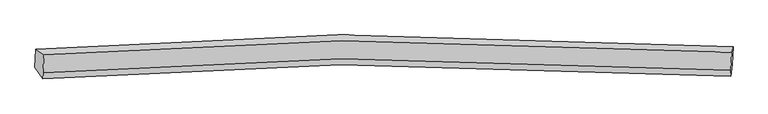
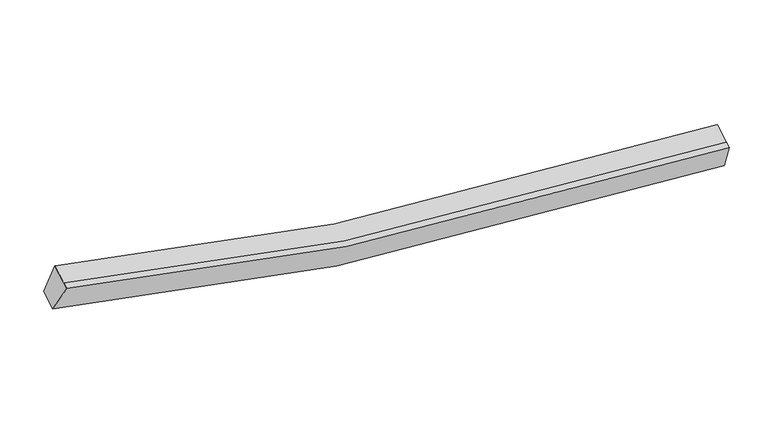
"""IFC4 building model written with IfcOpenShell, lengths in millimetres: proxy geometry."""

import ifcopenshell
import ifcopenshell.guid

model = None  # the IFC model being written
_history = None  # IfcOwnerHistory: only IFC2X3 demands one
_inside = {}  # id of a spatial element -> (the spatial element, [elements in it])
_under = {}  # id of a project, library or spatial element -> (it, [spatial elements below it])
_declared = {}  # id of a project -> (the project, [libraries it declares])
_typed = {}  # id of a type object -> (the type object, [elements of that type])
_made_of = {}  # id of a material, layer set ... -> (it, [elements and type objects made of it])


def new_model(schema):
    """Start an empty IFC model of exactly this schema.

    Asked for "IFC4X3", IfcOpenShell would pick the latest addendum, in which some entities
    have other attributes; the version numbers below select the first issue.
    IFC2X3 requires an IfcOwnerHistory on every rooted entity: one is made here for all.
    """
    global model, _history
    if schema == "IFC4X3":
        model = ifcopenshell.file(schema_version=(4, 3, 0, 0))
    else:
        model = ifcopenshell.file(schema=schema)
    _inside.clear()
    _under.clear()
    _declared.clear()
    _typed.clear()
    _made_of.clear()
    _history = None
    if model.schema == "IFC2X3":
        org = make("IfcOrganization", Name="unknown")
        user = make(
            "IfcPersonAndOrganization",
            ThePerson=make("IfcPerson", FamilyName="unknown"),
            TheOrganization=org,
        )
        app = make(
            "IfcApplication",
            ApplicationDeveloper=org,
            Version="unknown",
            ApplicationFullName="unknown",
            ApplicationIdentifier="unknown",
        )
        _history = make(
            "IfcOwnerHistory",
            OwningUser=user,
            OwningApplication=app,
            ChangeAction="ADDED",
            CreationDate=0,
        )
    return model


def make(cls, **values):
    """One entity of the class cls with the attributes given. An attribute that is None is left unset."""
    return model.create_entity(
        cls, **{name: value for name, value in values.items() if value is not None}
    )


def rooted(cls, **values):
    """An entity with a GlobalId (a new one), such as an element, a storey or a relation."""
    return make(cls, GlobalId=ifcopenshell.guid.new(), OwnerHistory=_history, **values)


def si_unit(unit_type, name, prefix=None):
    """IfcSIUnit, for example si_unit("LENGTHUNIT", "METRE", prefix="MILLI")."""
    return make("IfcSIUnit", UnitType=unit_type, Prefix=prefix, Name=name)


def assignment(units):
    """IfcUnitAssignment: the units of a project."""
    return None if units is None else make("IfcUnitAssignment", Units=units)


def point(xyz):
    """IfcCartesianPoint."""
    return None if xyz is None else make("IfcCartesianPoint", Coordinates=xyz)


def direction(xyz):
    """IfcDirection."""
    return None if xyz is None else make("IfcDirection", DirectionRatios=xyz)


def frame(location, z_axis=None, x_axis=None):
    """IfcAxis2Placement3D, a coordinate frame: its origin and axes. An axis left out is left unset."""
    return make(
        "IfcAxis2Placement3D",
        Location=point(location),
        Axis=direction(z_axis),
        RefDirection=direction(x_axis),
    )


def origin():
    """The frame at (0, 0, 0) with its axes left unset."""
    return frame((0.0, 0.0, 0.0))


def place(relative_to, where):
    """IfcLocalPlacement: puts the frame where relative to a parent placement (None: the world)."""
    return make(
        "IfcLocalPlacement", PlacementRelTo=relative_to, RelativePlacement=where
    )


def context(
    kind, dimensions, precision=None, world=None, true_north=None, identifier=None
):
    """IfcGeometricRepresentationContext, for example the 3D "Model" context."""
    return make(
        "IfcGeometricRepresentationContext",
        ContextIdentifier=identifier,
        ContextType=kind,
        CoordinateSpaceDimension=dimensions,
        Precision=precision,
        WorldCoordinateSystem=world,
        TrueNorth=true_north,
    )


def project(units=None, contexts=None):
    """IfcProject with its units and contexts."""
    return rooted(
        "IfcProject",
        Name="project",
        RepresentationContexts=contexts,
        UnitsInContext=assignment(units),
    )


def spatial(cls, under=None, at=None, **own):
    """A site, building, storey or space (cls), placed at a placement, below another one or the project."""
    s = rooted(cls, ObjectPlacement=at, **own)
    if under is not None:
        _under.setdefault(under.id(), (under, []))[1].append(s)
    return s


def shape(context_of_items, identifier, shape_type, items):
    """IfcShapeRepresentation: the items that make up one representation, for example the "Body"."""
    return make(
        "IfcShapeRepresentation",
        ContextOfItems=context_of_items,
        RepresentationIdentifier=identifier,
        RepresentationType=shape_type,
        Items=items,
    )


def source(mapping_origin, context_of_items, identifier, shape_type, items):
    """IfcRepresentationMap: a shape defined once, which mapped items show again and again."""
    return make(
        "IfcRepresentationMap",
        MappingOrigin=mapping_origin,
        MappedRepresentation=shape(context_of_items, identifier, shape_type, items),
    )


def transform(
    local_origin,
    x_axis=None,
    y_axis=None,
    z_axis=None,
    scale=None,
    scale2=None,
    scale3=None,
    uniform=True,
):
    """IfcCartesianTransformationOperator3D, or its non-uniform kind. x_axis, y_axis, z_axis: its Axis1, 2, 3."""
    if uniform:
        return make(
            "IfcCartesianTransformationOperator3D",
            Axis1=direction(x_axis),
            Axis2=direction(y_axis),
            LocalOrigin=point(local_origin),
            Scale=scale,
            Axis3=direction(z_axis),
        )
    return make(
        "IfcCartesianTransformationOperator3DnonUniform",
        Axis1=direction(x_axis),
        Axis2=direction(y_axis),
        LocalOrigin=point(local_origin),
        Scale=scale,
        Axis3=direction(z_axis),
        Scale2=scale2,
        Scale3=scale3,
    )


def mapped(mapping_source, mapping_target):
    """IfcMappedItem: shows the shape of a source again, moved by a transform."""
    return make(
        "IfcMappedItem", MappingSource=mapping_source, MappingTarget=mapping_target
    )


def made_of(thing, what):
    """Note that an element or type object is made of a material, layer set ...; save() writes the relation."""
    if what is not None:
        _made_of.setdefault(what.id(), (what, []))[1].append(thing)
    return thing


def element(
    cls,
    number,
    at=None,
    inside=None,
    cuts=None,
    type_object=None,
    material=None,
    context=None,
    identifier="Body",
    shape_type=None,
    held_by="IfcProductDefinitionShape",
    body=None,
    shapes=None,
    **own,
):
    """One element of the class cls, such as IfcWall. Its Tag is "e" and its number.

    at: its placement. inside: the storey or other place that contains it. cuts: it is an
    opening in that element (IfcRelVoidsElement). A single representation is given by context,
    identifier, shape_type and body (its items); several are given by shapes. held_by: the class
    of the entity that holds the representations. save() writes the other relations.
    """
    e = rooted(cls, Tag="e%d" % number, ObjectPlacement=at, **own)
    if body is not None:
        shapes = [shape(context, identifier, shape_type, body)]
    if shapes is not None:
        e.Representation = make(held_by, Representations=shapes)
    if inside is not None:
        _inside.setdefault(inside.id(), (inside, []))[1].append(e)
    if cuts is not None:
        rooted(
            "IfcRelVoidsElement", RelatingBuildingElement=cuts, RelatedOpeningElement=e
        )
    if type_object is not None:
        _typed.setdefault(type_object.id(), (type_object, []))[1].append(e)
    return made_of(e, material)


def aggregate(whole, parts):
    """IfcRelAggregates: a whole, such as a stair, and the parts it consists of."""
    return rooted("IfcRelAggregates", RelatingObject=whole, RelatedObjects=parts)


def save(model, path):
    """Write the relations noted so far, then the file.

    IfcRelAggregates (storeys below a building ...), IfcRelContainedInSpatialStructure (elements
    in a storey), IfcRelDefinesByType, IfcRelAssociatesMaterial and IfcRelDeclares: one each for
    every whole, place, type object, material and project.
    """
    for whole, parts in _under.values():
        aggregate(whole, parts)
    for where, things in _inside.values():
        rooted(
            "IfcRelContainedInSpatialStructure",
            RelatedElements=things,
            RelatingStructure=where,
        )
    for kind, things in _typed.values():
        rooted("IfcRelDefinesByType", RelatedObjects=things, RelatingType=kind)
    for what, things in _made_of.values():
        rooted("IfcRelAssociatesMaterial", RelatedObjects=things, RelatingMaterial=what)
    for by, libraries in _declared.values():
        rooted("IfcRelDeclares", RelatingContext=by, RelatedDefinitions=libraries)
    model.write(path)


def plane_surface(at):
    """IfcPlane: the flat surface through the origin of the frame at, square to its z axis."""
    return make("IfcPlane", Position=at)


def spline_curve(degree, points, multiplicities, knots, weights=None):
    """IfcBSplineCurveWithKnots; with weights, IfcRationalBSplineCurveWithKnots."""
    own = dict(
        Degree=degree,
        ControlPointsList=[point(p) for p in points],
        CurveForm="UNSPECIFIED",
        ClosedCurve=False,
        SelfIntersect=False,
        KnotMultiplicities=multiplicities,
        Knots=knots,
        KnotSpec="UNSPECIFIED",
    )
    if weights is None:
        return make("IfcBSplineCurveWithKnots", **own)
    return make("IfcRationalBSplineCurveWithKnots", WeightsData=weights, **own)


def spline_surface(u_degree, v_degree, points, u_multiplicities, v_multiplicities, u_knots, v_knots, weights=None):
    """IfcBSplineSurfaceWithKnots; with weights, IfcRationalBSplineSurfaceWithKnots. points: one row for each step in u."""
    own = dict(
        UDegree=u_degree,
        VDegree=v_degree,
        ControlPointsList=[[point(p) for p in row] for row in points],
        SurfaceForm="UNSPECIFIED",
        UClosed=False,
        VClosed=False,
        SelfIntersect=False,
        UMultiplicities=u_multiplicities,
        VMultiplicities=v_multiplicities,
        UKnots=u_knots,
        VKnots=v_knots,
        KnotSpec="UNSPECIFIED",
    )
    if weights is None:
        return make("IfcBSplineSurfaceWithKnots", **own)
    return make("IfcRationalBSplineSurfaceWithKnots", WeightsData=weights, **own)


def advanced_brep(points, edges, surfaces, faces):
    """IfcAdvancedBrep: a solid bounded by faces that lie on surfaces and meet in shared edges.

    An edge is (start, end): straight between two places in points (the first is 0);
    or (start, end, curve); or (start, end, curve, False) where it runs against its curve.
    A face is (place in surfaces, loops), or (place, loops, False) where it looks against
    its surface's normal. A loop lists edges by number (the first is 1), with a minus sign
    where the edge is run from its end to its start. The first loop is the outer one.
    """
    corners = [point(p) for p in points]
    vertices = [make("IfcVertexPoint", VertexGeometry=c) for c in corners]
    made = []
    for start, end, *more in edges:
        made.append(
            make(
                "IfcEdgeCurve",
                EdgeStart=vertices[start],
                EdgeEnd=vertices[end],
                EdgeGeometry=more[0] if more else make("IfcPolyline", Points=[corners[start], corners[end]]),
                SameSense=more[1] if len(more) > 1 else True,
            )
        )
    hull = []
    for where, loops, *sense in faces:
        bounds = []
        for j, loop in enumerate(loops):
            ring = [make("IfcOrientedEdge", EdgeElement=made[abs(k) - 1], Orientation=k > 0) for k in loop]
            bounds.append(
                make(
                    "IfcFaceOuterBound" if j == 0 else "IfcFaceBound",
                    Bound=make("IfcEdgeLoop", EdgeList=ring),
                    Orientation=True,
                )
            )
        hull.append(make("IfcAdvancedFace", Bounds=bounds, FaceSurface=surfaces[where], SameSense=sense[0] if sense else True))
    return make("IfcAdvancedBrep", Outer=make("IfcClosedShell", CfsFaces=hull))


def generic_models_be9eb0d0(model_context):
    return source(origin(), model_context, "Body", "AdvancedBrep", [
        advanced_brep(
        [(-7429.6084252, -1866.8262474, 4091.2672645), (-7239.1691191, -2001.1961457, 4767.5560449), (8932.5638601, -1943.222563, 2709.8043116), (8962.7925339, -1809.3401428, 2007.7710942), (-7260.8732438, -2424.2977712, 4589.531078), (8910.8597354, -2366.3241885, 2531.7793447), (-7267.9577279, -2562.403167, 4531.4216144), (8903.7752514, -2504.4295842, 2473.6698811), (-7451.4414137, -2292.4399517, 3912.185311), (8941.1813693, -2230.6295982, 1830.5086191)],
        [
            (0, 1),
            (1, 2, spline_curve(3, [(-7239.1691191, -2001.1961457, 4767.5560449), (-4928.357981219, -1812.54745492, 4069.914851082), (-2592.955476048, -1703.002632073, 3546.353779939), (2782.076403328, -1633.671475095, 2750.389323724), (5837.251558197, -1723.8917704, 2588.033150173), (8932.5638601, -1943.222563, 2709.8043116)], [4, 2, 4], [0.0, 23.742887397919848, 54.07589325388989])),
            (2, 3),
            (3, 0, spline_curve(3, [(8962.7925339, -1809.3401428, 2007.7710942), (5825.309194279, -1587.330130836, 1884.77372), (2728.47400288, -1495.882353849, 2049.291640784), (-2719.915951685, -1565.613299314, 2855.14978818), (-5087.214412237, -1676.223111776, 3385.130590945), (-7429.6084252, -1866.8262474, 4091.2672645)], [4, 2, 4], [0.0, 30.33300585597004, 54.07589325388989])),
            (1, 4),
            (4, 5, spline_curve(3, [(-7260.8732438, -2424.2977712, 4589.531078), (-4950.062105782, -2235.649080359, 3891.889884194), (-2614.659600542, -2126.104257385, 3368.328812878), (2760.372278592, -2056.773100835, 2572.36435703), (5815.547433958, -2146.993396592, 2410.008183794), (8910.8597354, -2366.3241885, 2531.7793447)], [4, 2, 4], [0.0, 23.58238790639482, 53.71034574378497])),
            (5, 2),
            (4, 6),
            (6, 7, spline_curve(3, [(-7267.9577279, -2562.403167, 4531.4216144), (-4957.146589882, -2373.754476159, 3833.780420594), (-2621.744084642, -2264.209653085, 3310.219349278), (2753.287794492, -2194.878496535, 2514.25489343), (5808.462949958, -2285.098792292, 2351.898720194), (8903.7752514, -2504.4295842, 2473.6698811)], [4, 2, 4], [0.0, 23.58238790639482, 53.71034574378497])),
            (7, 5),
            (6, 8),
            (8, 9, spline_curve(3, [(-7451.4414137, -2292.4399517, 3912.185311), (-5109.072812713, -2102.332194681, 3205.840201145), (-2741.774351526, -1991.722381999, 2675.859398547), (2706.673478938, -1920.86318165, 1870.475977325), (5803.582612414, -2010.869542442, 1706.564549338), (8941.1813693, -2230.6295982, 1830.5086191)], [4, 2, 4], [0.0, 23.742885930232397, 54.07588991114102])),
            (9, 7),
            (8, 0),
            (3, 9),
        ],
        [
            spline_surface(3, 3, [[(-7429.6084252, -1866.8262474, 4091.2672645), (-5087.214412455, -1676.223111676, 3385.130591259), (-2719.91595135, -1565.613299317, 2855.149788469), (2728.474002452, -1495.882353845, 2049.291640415), (5825.309194419, -1587.33013132, 1884.773719746), (8962.7925339, -1809.3401428, 2007.7710942)], [(-7366.128656511, -1911.616213505, 4316.696857974), (-5034.26226862, -1721.664559375, 3613.392011151), (-2677.59579293, -1611.409743451, 3085.551118914), (2746.341469457, -1541.812061021, 2282.99086825), (5829.289982418, -1632.850677818, 2119.193530019), (8952.716309329, -1853.967616173, 2241.78216665)], [(-7302.648887789, -1956.406179595, 4542.126451426), (-4981.310124751, -1767.106007059, 3841.653431019), (-2635.275634547, -1657.206187661, 3315.952449349), (2764.208936423, -1587.741768274, 2516.690096074), (5833.27077033, -1678.371224398, 2353.613340341), (8942.640084671, -1898.595089627, 2475.79323915)], [(-7239.1691191, -2001.1961457, 4767.5560449), (-4928.357980916, -1812.547454759, 4069.91485091), (-2592.955476126, -1703.002631795, 3546.353779795), (2782.076403428, -1633.67147545, 2750.389323909), (5837.251558329, -1723.891770896, 2588.033150613), (8932.5638601, -1943.222563, 2709.8043116)]], [4, 4], [4, 2, 4], [0.0, 2.346849831197822], [0.0, 23.742887397919848, 54.07589325388989]),
            spline_surface(3, 3, [[(-7239.1691191, -2001.1961457, 4767.5560449), (-4928.357980916, -1812.547454759, 4069.91485091), (-2592.955476126, -1703.002631795, 3546.353779795), (2782.076403428, -1633.67147545, 2750.389323909), (5837.251558329, -1723.891770896, 2588.033150613), (8932.5638601, -1943.222563, 2709.8043116)], [(-7246.403827332, -2142.230020872, 4708.214389265), (-4935.592689149, -1953.58132993, 4010.573195275), (-2600.190184359, -1844.036506967, 3487.012124159), (2774.841695196, -1774.705350622, 2691.047668274), (5830.016850097, -1864.925646068, 2528.691494978), (8925.329151868, -2084.256438172, 2650.462655965)], [(-7253.638535568, -2283.263896028, 4648.872733635), (-4942.827397384, -2094.615205087, 3951.231539646), (-2607.424892494, -1985.070382123, 3427.67046853), (2767.606987061, -1915.739225778, 2631.706012644), (5822.782141862, -2005.959521224, 2469.349839349), (8918.094443632, -2225.290313328, 2591.121000335)], [(-7260.8732438, -2424.2977712, 4589.531078), (-4950.062105616, -2235.649080259, 3891.88988401), (-2614.659600726, -2126.104257295, 3368.328812895), (2760.372278828, -2056.77310095, 2572.364357009), (5815.547433629, -2146.993396396, 2410.008183713), (8910.8597354, -2366.3241885, 2531.7793447)]], [4, 4], [4, 2, 4], [0.0, 1.5076840612297837], [0.0, 23.58238790639482, 53.71034574378497]),
            spline_surface(3, 3, [[(-7260.8732438, -2424.2977712, 4589.531078), (-4950.062105616, -2235.649080259, 3891.88988401), (-2614.659600726, -2126.104257295, 3368.328812895), (2760.372278828, -2056.77310095, 2572.364357009), (5815.547433629, -2146.993396396, 2410.008183713), (8910.8597354, -2366.3241885, 2531.7793447)], [(-7263.234738493, -2470.332903106, 4570.161256804), (-4952.42360031, -2281.684212165, 3872.520062814), (-2617.02109542, -2172.139389201, 3348.958991698), (2758.010784135, -2102.808232856, 2552.994535813), (5813.185938936, -2193.028528302, 2390.638362517), (8908.498240707, -2412.359320406, 2512.409523504)], [(-7265.596233207, -2516.368035094, 4550.791435596), (-4954.785095023, -2327.719344152, 3853.150241607), (-2619.382590133, -2218.174521089, 3329.589170491), (2755.649289421, -2148.843364744, 2533.624714605), (5810.824444323, -2239.06366019, 2371.26854131), (8906.136746093, -2458.394452294, 2493.039702296)], [(-7267.9577279, -2562.403167, 4531.4216144), (-4957.146589716, -2373.754476059, 3833.78042041), (-2621.744084826, -2264.209652995, 3310.219349295), (2753.287794728, -2194.87849665, 2514.254893409), (5808.462949629, -2285.098792096, 2351.898720113), (8903.7752514, -2504.4295842, 2473.6698811)]], [4, 4], [4, 2, 4], [0.0, 0.49212598425196996], [0.0, 23.58238790639482, 53.71034574378497]),
            spline_surface(3, 3, [[(-7267.9577279, -2562.403167, 4531.4216144), (-4957.146589716, -2373.754476059, 3833.78042041), (-2621.744084826, -2264.209652995, 3310.219349295), (2753.287794728, -2194.87849665, 2514.254893409), (5808.462949629, -2285.098792096, 2351.898720113), (8903.7752514, -2504.4295842, 2473.6698811)], [(-7329.118956485, -2472.415428572, 4325.009513265), (-5007.788664038, -2283.280382274, 3624.467014059), (-2661.754173734, -2173.380562777, 3098.766032389), (2737.749689529, -2103.540058177, 2299.661921374), (5806.836170532, -2193.689042203, 2136.787329906), (8916.243957362, -2413.162922209, 2259.282793786)], [(-7390.280185115, -2382.427690128, 4118.597412135), (-5058.430738404, -2192.806288475, 3415.153607712), (-2701.764262713, -2082.551472551, 2887.312715475), (2722.211584258, -2012.201619697, 2085.068949331), (5805.209391449, -2102.279292284, 1921.67593964), (8928.712663338, -2321.896260191, 2044.895706414)], [(-7451.4414137, -2292.4399517, 3912.185311), (-5109.072812725, -2102.332194691, 3205.84020136), (-2741.774351621, -1991.722382332, 2675.85939857), (2706.673479059, -1920.863181224, 1870.475977296), (5803.582612351, -2010.869542391, 1706.564549432), (8941.1813693, -2230.6295982, 1830.5086191)]], [4, 4], [4, 2, 4], [0.0, 2.296572948949967], [0.0, 23.742885930232397, 54.07588991114102]),
            spline_surface(3, 3, [[(-7451.4414137, -2292.4399517, 3912.185311), (-5109.072812725, -2102.332194691, 3205.84020136), (-2741.774351621, -1991.722382332, 2675.85939857), (2706.673479059, -1920.863181224, 1870.475977296), (5803.582612351, -2010.869542391, 1706.564549432), (8941.1813693, -2230.6295982, 1830.5086191)], [(-7444.163750878, -2150.568716945, 3971.879295492), (-5101.786679313, -1960.295833697, 3265.603664652), (-2734.488218208, -1849.686021339, 2735.622861862), (2713.940320179, -1779.202905442, 1930.081198328), (5810.824806375, -1869.689738708, 1765.967606199), (8948.385090835, -2090.19977974, 1889.596110795)], [(-7436.886088022, -2008.697482155, 4031.573280008), (-5094.500545867, -1818.259472669, 3325.367127967), (-2727.202084763, -1707.649660311, 2795.386325177), (2721.207161332, -1637.542629627, 1989.686419383), (5818.067000395, -1728.509935003, 1825.37066298), (8955.588812365, -1949.76996126, 1948.683602505)], [(-7429.6084252, -1866.8262474, 4091.2672645), (-5087.214412455, -1676.223111676, 3385.130591259), (-2719.91595135, -1565.613299317, 2855.149788469), (2728.474002452, -1495.882353845, 2049.291640415), (5825.309194419, -1587.33013132, 1884.773719746), (8962.7925339, -1809.3401428, 2007.7710942)]], [4, 4], [4, 2, 4], [0.0, 1.5157986851962537], [0.0, 23.903385740248698, 54.441438146629494]),
            plane_surface(frame((8935.0782537, -2121.905472, 2255.4384765), z_axis=(0.9974705800679509, -0.06409633491642046, 0.0307262387738555), x_axis=(0.053436108484664284, 0.39113403316261913, -0.9187811221460519))),
            plane_surface(frame((-7347.0441715, -2180.7163779, 4325.6075587), z_axis=(-0.9638789748028458, -0.05976351260562408, 0.2595489250489253), x_axis=(-0.04722989386493986, -0.9207026381266326, -0.38739642392795237))),
        ],
        [
            (0, [[1, 2, 3, 4]]),
            (1, [[5, 6, 7, -2]]),
            (2, [[8, 9, 10, -6]]),
            (3, [[11, 12, 13, -9]]),
            (4, [[14, -4, 15, -12]]),
            (5, [[-13, -15, -3, -7, -10]]),
            (6, [[-14, -11, -8, -5, -1]]),
        ],
    ),
    ])


if __name__ == "__main__":
    model = new_model("IFC4")
    model_context = context("Model", 3, world=origin())
    ifc_project = project(units=[si_unit("LENGTHUNIT", "METRE", prefix="MILLI")], contexts=[model_context])
    site = spatial("IfcSite", under=ifc_project)
    building = spatial("IfcBuilding", under=site)
    placement = place(None, origin())
    generic_models_shape = generic_models_be9eb0d0(model_context)
    element("IfcBuildingElementProxy", 1, Name="Generic Models", at=placement, inside=building, context=model_context, shape_type="MappedRepresentation", body=[
        mapped(generic_models_shape, transform((0.0, 0.0, 0.0), x_axis=(1.0, 0.0, 0.0), y_axis=(0.0, 1.0, 0.0), z_axis=(0.0, 0.0, 1.0))),
    ])
    save(model, "model.ifc")
